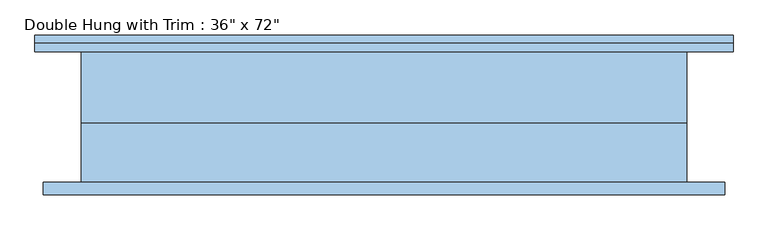
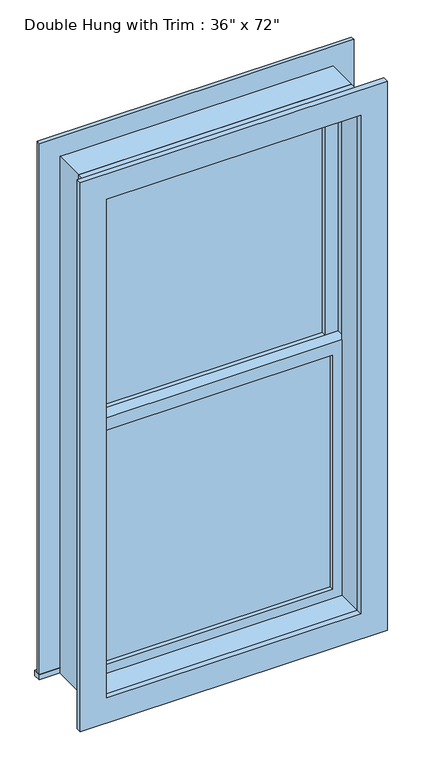
"""IFC4 building model written with IfcOpenShell, lengths in millimetres: window geometry."""

from ifc_helpers import new_model, si_unit, frame, origin, place, context, project, spatial, polyline, outline, extrude, source, transform, mapped, element, save


def window_35182019(model_context):
    return source(origin(), model_context, "Body", "SweptSolid", [
        extrude(outline(polyline([(-393.7, 19.05), (393.7, 19.05), (393.7, 6.35), (-393.7, 6.35), (-393.7, 19.05)])), frame((0.0, 0.0, 368.3), z_axis=(0.0, 0.0, 1.0), x_axis=(1.0, 0.0, 0.0)), (0.0, 0.0, 1.0), 828.675),
        extrude(outline(polyline([(1241.425, -438.15), (323.85, -438.15), (323.85, 438.15), (1241.425, 438.15), (1241.425, -438.15)]), holes=[polyline([(1196.975, -393.7), (1196.975, 393.7), (368.3, 393.7), (368.3, -393.7), (1196.975, -393.7)])]), frame((0.0, -9.525, 0.0), z_axis=(0.0, 1.0, 0.0), x_axis=(0.0, 0.0, 1.0)), (0.0, 0.0, 1.0), 44.45),
        extrude(outline(polyline([(-527.05, 123.825), (527.05, 123.825), (527.05, 98.425), (-527.05, 98.425), (-527.05, 123.825)])), frame((0.0, 0.0, 304.8), z_axis=(0.0, 0.0, 1.0), x_axis=(1.0, 0.0, 0.0)), (0.0, 0.0, 1.0), 19.05),
        extrude(outline(polyline([(2114.55, -438.15), (2114.55, 438.15), (323.85, 438.15), (323.85, 527.05), (2203.45, 527.05), (2203.45, -527.05), (323.85, -527.05), (323.85, -438.15), (2114.55, -438.15)])), frame((0.0, 98.425, 0.0), z_axis=(0.0, 1.0, 0.0), x_axis=(0.0, 0.0, 1.0)), (0.0, 0.0, 1.0), 12.7),
        extrude(outline(polyline([(2190.75, 514.35), (2190.75, -514.35), (247.65, -514.35), (247.65, 514.35), (2190.75, 514.35)]), holes=[polyline([(2101.85, 425.45), (336.55, 425.45), (336.55, -425.45), (2101.85, -425.45), (2101.85, 425.45)])]), frame((0.0, -117.475, 0.0), z_axis=(0.0, 1.0, 0.0), x_axis=(0.0, 0.0, 1.0)), (0.0, 0.0, 1.0), 19.05),
        extrude(outline(polyline([(393.7, 50.8), (-393.7, 50.8), (-393.7, 63.5), (393.7, 63.5), (393.7, 50.8)])), frame((0.0, 0.0, 1241.425), z_axis=(0.0, 0.0, 1.0), x_axis=(1.0, 0.0, 0.0)), (0.0, 0.0, 1.0), 828.675),
        extrude(outline(polyline([(2114.55, -438.15), (1196.975, -438.15), (1196.975, 438.15), (2114.55, 438.15), (2114.55, -438.15)]), holes=[polyline([(2070.1, -393.7), (2070.1, 393.7), (1241.425, 393.7), (1241.425, -393.7), (2070.1, -393.7)])]), frame((0.0, 34.925, 0.0), z_axis=(0.0, 1.0, 0.0), x_axis=(0.0, 0.0, 1.0)), (0.0, 0.0, 1.0), 44.45),
        extrude(outline(polyline([(2133.6, -457.2), (304.8, -457.2), (304.8, 457.2), (2133.6, 457.2), (2133.6, -457.2)]), holes=[polyline([(2101.85, -425.45), (2101.85, 425.45), (336.55, 425.45), (336.55, -425.45), (2101.85, -425.45)])]), frame((0.0, -98.425, 0.0), z_axis=(0.0, 1.0, 0.0), x_axis=(0.0, 0.0, 1.0)), (0.0, 0.0, 1.0), 88.9),
        extrude(outline(polyline([(2133.6, 457.2), (2133.6, -457.2), (304.8, -457.2), (304.8, 457.2), (2133.6, 457.2)]), holes=[polyline([(2114.55, 438.15), (323.85, 438.15), (323.85, -438.15), (2114.55, -438.15), (2114.55, 438.15)])]), frame((0.0, -9.525, 0.0), z_axis=(0.0, 1.0, 0.0), x_axis=(0.0, 0.0, 1.0)), (0.0, 0.0, 1.0), 107.95),
    ])


if __name__ == "__main__":
    model = new_model("IFC4")
    model_context = context("Model", 3, world=origin())
    ifc_project = project(units=[si_unit("LENGTHUNIT", "METRE", prefix="MILLI")], contexts=[model_context])
    site = spatial("IfcSite", under=ifc_project)
    building = spatial("IfcBuilding", under=site)
    placement = place(None, origin())
    window_shape = window_35182019(model_context)
    element("IfcWindow", 1, ObjectType="Double Hung with Trim : 36\" x 72\"", at=placement, inside=building, context=model_context, shape_type="MappedRepresentation", body=[
        mapped(window_shape, transform((0.0, 0.0, 0.0), x_axis=(1.0, 0.0, 0.0), y_axis=(0.0, 1.0, 0.0), z_axis=(0.0, 0.0, 1.0))),
    ])
    save(model, "model.ifc")
